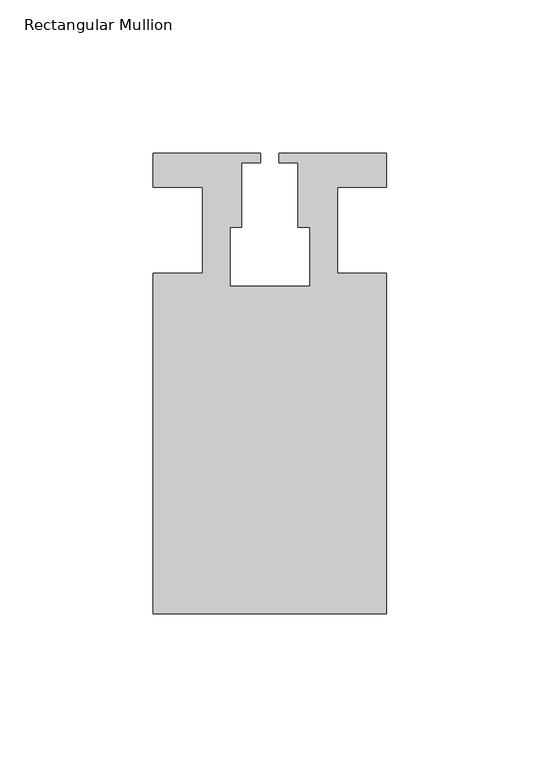
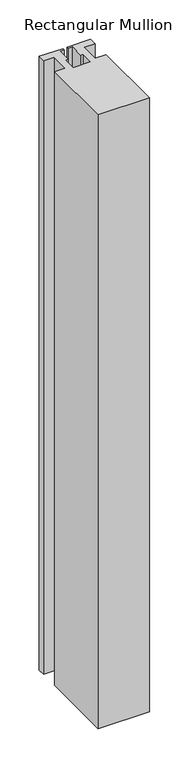
"""IFC4 building model written with IfcOpenShell, lengths in millimetres: member geometry, Rectangular Mullion."""

from ifc_helpers import new_model, si_unit, frame, origin, place, context, project, spatial, polyline, outline, extrude, source, transform, mapped, element, save


def rectangular_mullion_81c1a577(model_context):
    return source(origin(), model_context, "Body", "SweptSolid", [
        extrude(outline(polyline([(37.9999914, -124.9960123), (-37.9999896, -124.9960123), (-37.9999896, -13.9959029), (-21.9999633, -13.9959029), (-21.9999633, 14.0039877), (-37.9999896, 14.0039877), (-37.9999896, 25.0039877), (-2.9999896, 25.0039877), (-2.9999896, 22.0039877), (-9.1999633, 22.0039877), (-9.1999633, 1.0039877), (-12.9999633, 1.0039877), (-12.9999633, -18.1960075), (12.9999651, -18.1960075), (12.9999651, 1.0039877), (9.1999651, 1.0039877), (9.1999651, 22.0039877), (2.9999651, 22.0039877), (2.9999651, 25.0039877), (37.9999896, 25.0039877), (37.9999896, 14.0039877), (21.9999651, 14.0039877), (21.9999651, -13.9960123), (37.9999914, -13.9960123), (37.9999914, -124.9960123)])), frame((0.0, 0.0, -953.6595328), z_axis=(0.0, 0.0, 1.0), x_axis=(1.0, 0.0, 0.0)), (0.0, 0.0, 1.0), 953.6595328),
    ])


if __name__ == "__main__":
    model = new_model("IFC4")
    model_context = context("Model", 3, world=origin())
    ifc_project = project(units=[si_unit("LENGTHUNIT", "METRE", prefix="MILLI")], contexts=[model_context])
    site = spatial("IfcSite", under=ifc_project)
    building = spatial("IfcBuilding", under=site)
    placement = place(None, origin())
    rectangular_mullion_shape = rectangular_mullion_81c1a577(model_context)
    element("IfcMember", 1, ObjectType="Rectangular Mullion", at=placement, inside=building, context=model_context, shape_type="MappedRepresentation", body=[
        mapped(rectangular_mullion_shape, transform((0.0, 0.0, 0.0), x_axis=(1.0, 0.0, 0.0), y_axis=(0.0, 1.0, 0.0), z_axis=(0.0, 0.0, 1.0))),
    ])
    save(model, "model.ifc")
